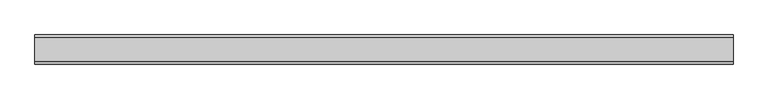
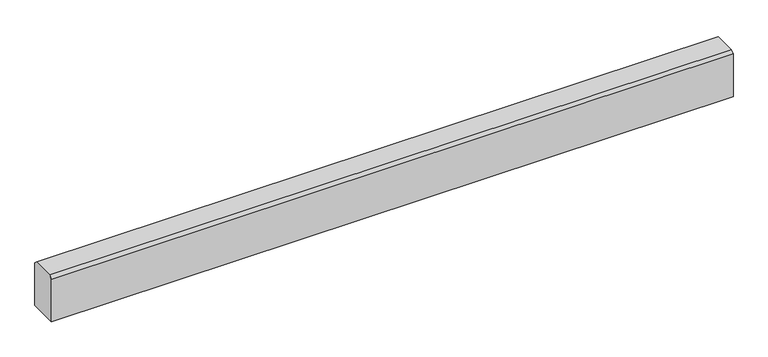
"""IFC4 building model written with IfcOpenShell, lengths in millimetres: proxy geometry."""

from ifc_helpers import new_model, si_unit, frame, origin, place, context, project, spatial, polyline, outline, extrude, source, transform, mapped, element, save


def generic_models_0b711ec9(model_context):
    return source(origin(), model_context, "Body", "SweptSolid", [
        extrude(outline(polyline([(-10955.0540151, -20.0), (-10955.0540151, 138.3316546), (-10944.7856698, 148.6), (-10865.3223642, 148.6), (-10855.0540151, 138.3316509), (-10855.0540151, -20.0), (-10955.0540151, -20.0)])), frame((-10615.3690716, 0.0, 0.0), z_axis=(1.0, 0.0, 0.0), x_axis=(0.0, 1.0, 0.0)), (0.0, 0.0, 1.0), 2400.0),
    ])


if __name__ == "__main__":
    model = new_model("IFC4")
    model_context = context("Model", 3, world=origin())
    ifc_project = project(units=[si_unit("LENGTHUNIT", "METRE", prefix="MILLI")], contexts=[model_context])
    site = spatial("IfcSite", under=ifc_project)
    building = spatial("IfcBuilding", under=site)
    placement = place(None, origin())
    generic_models_shape = generic_models_0b711ec9(model_context)
    element("IfcBuildingElementProxy", 1, Name="Generic Models", at=placement, inside=building, context=model_context, shape_type="MappedRepresentation", body=[
        mapped(generic_models_shape, transform((0.0, 0.0, 0.0), x_axis=(1.0, 0.0, 0.0), y_axis=(0.0, 1.0, 0.0), z_axis=(0.0, 0.0, 1.0))),
    ])
    save(model, "model.ifc")
